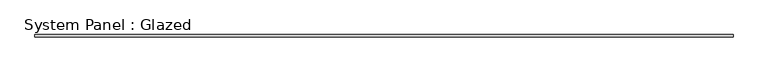
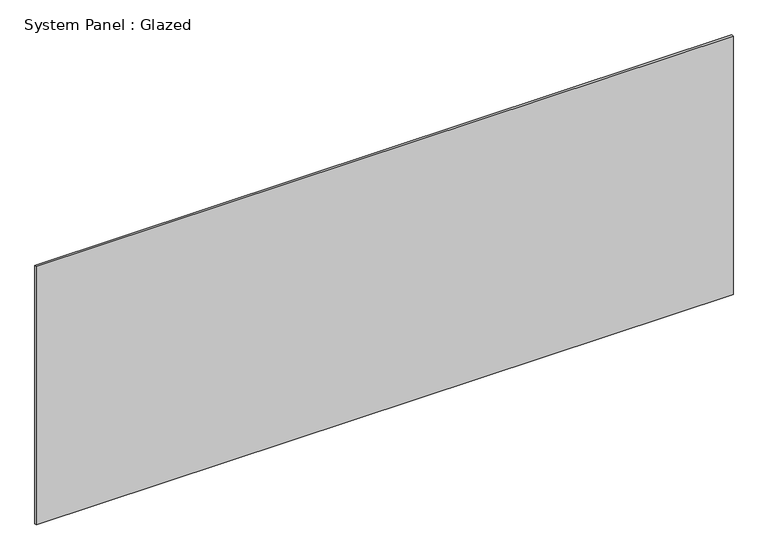
"""IFC4 building model written with IfcOpenShell, lengths in millimetres: plate geometry, System Panel : Glazed."""

from ifc_helpers import new_model, si_unit, origin, origin_with_axes, place, context, project, spatial, polyline, outline, extrude, source, transform, mapped, element, save


def system_panel_glazed_307875cb(model_context):
    return source(origin(), model_context, "Body", "SweptSolid", [
        extrude(outline(polyline([(3886.2, 19.05), (-3886.2, 19.05), (-3886.2, 44.45), (3886.2, 44.45), (3886.2, 19.05)])), origin_with_axes(), (0.0, 0.0, 1.0), 3048.0),
    ])


if __name__ == "__main__":
    model = new_model("IFC4")
    model_context = context("Model", 3, world=origin())
    ifc_project = project(units=[si_unit("LENGTHUNIT", "METRE", prefix="MILLI")], contexts=[model_context])
    site = spatial("IfcSite", under=ifc_project)
    building = spatial("IfcBuilding", under=site)
    placement = place(None, origin())
    system_panel_glazed_shape = system_panel_glazed_307875cb(model_context)
    element("IfcPlate", 1, ObjectType="System Panel : Glazed", at=placement, inside=building, context=model_context, shape_type="MappedRepresentation", body=[
        mapped(system_panel_glazed_shape, transform((0.0, 0.0, 0.0), x_axis=(1.0, 0.0, 0.0), y_axis=(0.0, 1.0, 0.0), z_axis=(0.0, 0.0, 1.0))),
    ])
    save(model, "model.ifc")
